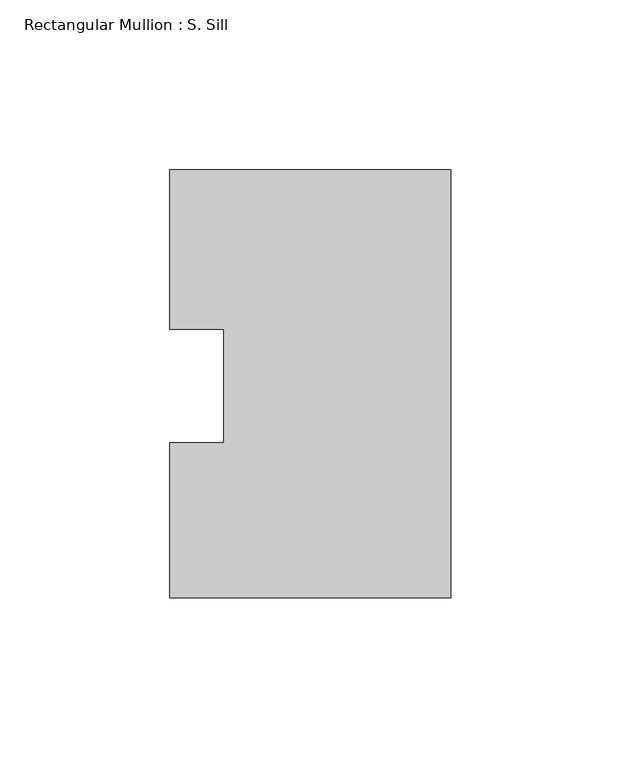
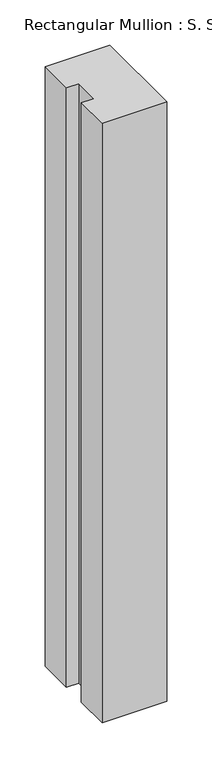
"""IFC4 building model written with IfcOpenShell, lengths in millimetres: member geometry, Rectangular Mullion : S. Sill."""

import ifcopenshell
import ifcopenshell.guid

model = None  # the IFC model being written
_history = None  # IfcOwnerHistory: only IFC2X3 demands one
_inside = {}  # id of a spatial element -> (the spatial element, [elements in it])
_under = {}  # id of a project, library or spatial element -> (it, [spatial elements below it])
_declared = {}  # id of a project -> (the project, [libraries it declares])
_typed = {}  # id of a type object -> (the type object, [elements of that type])
_made_of = {}  # id of a material, layer set ... -> (it, [elements and type objects made of it])


def new_model(schema):
    """Start an empty IFC model of exactly this schema.

    Asked for "IFC4X3", IfcOpenShell would pick the latest addendum, in which some entities
    have other attributes; the version numbers below select the first issue.
    IFC2X3 requires an IfcOwnerHistory on every rooted entity: one is made here for all.
    """
    global model, _history
    if schema == "IFC4X3":
        model = ifcopenshell.file(schema_version=(4, 3, 0, 0))
    else:
        model = ifcopenshell.file(schema=schema)
    _inside.clear()
    _under.clear()
    _declared.clear()
    _typed.clear()
    _made_of.clear()
    _history = None
    if model.schema == "IFC2X3":
        org = make("IfcOrganization", Name="unknown")
        user = make(
            "IfcPersonAndOrganization",
            ThePerson=make("IfcPerson", FamilyName="unknown"),
            TheOrganization=org,
        )
        app = make(
            "IfcApplication",
            ApplicationDeveloper=org,
            Version="unknown",
            ApplicationFullName="unknown",
            ApplicationIdentifier="unknown",
        )
        _history = make(
            "IfcOwnerHistory",
            OwningUser=user,
            OwningApplication=app,
            ChangeAction="ADDED",
            CreationDate=0,
        )
    return model


def make(cls, **values):
    """One entity of the class cls with the attributes given. An attribute that is None is left unset."""
    return model.create_entity(
        cls, **{name: value for name, value in values.items() if value is not None}
    )


def rooted(cls, **values):
    """An entity with a GlobalId (a new one), such as an element, a storey or a relation."""
    return make(cls, GlobalId=ifcopenshell.guid.new(), OwnerHistory=_history, **values)


def si_unit(unit_type, name, prefix=None):
    """IfcSIUnit, for example si_unit("LENGTHUNIT", "METRE", prefix="MILLI")."""
    return make("IfcSIUnit", UnitType=unit_type, Prefix=prefix, Name=name)


def assignment(units):
    """IfcUnitAssignment: the units of a project."""
    return None if units is None else make("IfcUnitAssignment", Units=units)


def point(xyz):
    """IfcCartesianPoint."""
    return None if xyz is None else make("IfcCartesianPoint", Coordinates=xyz)


def direction(xyz):
    """IfcDirection."""
    return None if xyz is None else make("IfcDirection", DirectionRatios=xyz)


def frame(location, z_axis=None, x_axis=None):
    """IfcAxis2Placement3D, a coordinate frame: its origin and axes. An axis left out is left unset."""
    return make(
        "IfcAxis2Placement3D",
        Location=point(location),
        Axis=direction(z_axis),
        RefDirection=direction(x_axis),
    )


def origin():
    """The frame at (0, 0, 0) with its axes left unset."""
    return frame((0.0, 0.0, 0.0))


def place(relative_to, where):
    """IfcLocalPlacement: puts the frame where relative to a parent placement (None: the world)."""
    return make(
        "IfcLocalPlacement", PlacementRelTo=relative_to, RelativePlacement=where
    )


def context(
    kind, dimensions, precision=None, world=None, true_north=None, identifier=None
):
    """IfcGeometricRepresentationContext, for example the 3D "Model" context."""
    return make(
        "IfcGeometricRepresentationContext",
        ContextIdentifier=identifier,
        ContextType=kind,
        CoordinateSpaceDimension=dimensions,
        Precision=precision,
        WorldCoordinateSystem=world,
        TrueNorth=true_north,
    )


def project(units=None, contexts=None):
    """IfcProject with its units and contexts."""
    return rooted(
        "IfcProject",
        Name="project",
        RepresentationContexts=contexts,
        UnitsInContext=assignment(units),
    )


def spatial(cls, under=None, at=None, **own):
    """A site, building, storey or space (cls), placed at a placement, below another one or the project."""
    s = rooted(cls, ObjectPlacement=at, **own)
    if under is not None:
        _under.setdefault(under.id(), (under, []))[1].append(s)
    return s


def polyline(points):
    """IfcPolyline through the points."""
    return make("IfcPolyline", Points=[point(p) for p in points])


def outline(outer, holes=None, kind="AREA"):
    """IfcArbitraryClosedProfileDef: a profile drawn as a closed curve; with holes, ...WithVoids."""
    if holes is None:
        return make("IfcArbitraryClosedProfileDef", ProfileType=kind, OuterCurve=outer)
    return make(
        "IfcArbitraryProfileDefWithVoids",
        ProfileType=kind,
        OuterCurve=outer,
        InnerCurves=holes,
    )


def extrude(swept, where, along, depth):
    """IfcExtrudedAreaSolid: the profile swept, set in the frame where, extruded along a direction by depth."""
    return make(
        "IfcExtrudedAreaSolid",
        SweptArea=swept,
        Position=where,
        ExtrudedDirection=direction(along),
        Depth=depth,
    )


def shape(context_of_items, identifier, shape_type, items):
    """IfcShapeRepresentation: the items that make up one representation, for example the "Body"."""
    return make(
        "IfcShapeRepresentation",
        ContextOfItems=context_of_items,
        RepresentationIdentifier=identifier,
        RepresentationType=shape_type,
        Items=items,
    )


def source(mapping_origin, context_of_items, identifier, shape_type, items):
    """IfcRepresentationMap: a shape defined once, which mapped items show again and again."""
    return make(
        "IfcRepresentationMap",
        MappingOrigin=mapping_origin,
        MappedRepresentation=shape(context_of_items, identifier, shape_type, items),
    )


def transform(
    local_origin,
    x_axis=None,
    y_axis=None,
    z_axis=None,
    scale=None,
    scale2=None,
    scale3=None,
    uniform=True,
):
    """IfcCartesianTransformationOperator3D, or its non-uniform kind. x_axis, y_axis, z_axis: its Axis1, 2, 3."""
    if uniform:
        return make(
            "IfcCartesianTransformationOperator3D",
            Axis1=direction(x_axis),
            Axis2=direction(y_axis),
            LocalOrigin=point(local_origin),
            Scale=scale,
            Axis3=direction(z_axis),
        )
    return make(
        "IfcCartesianTransformationOperator3DnonUniform",
        Axis1=direction(x_axis),
        Axis2=direction(y_axis),
        LocalOrigin=point(local_origin),
        Scale=scale,
        Axis3=direction(z_axis),
        Scale2=scale2,
        Scale3=scale3,
    )


def mapped(mapping_source, mapping_target):
    """IfcMappedItem: shows the shape of a source again, moved by a transform."""
    return make(
        "IfcMappedItem", MappingSource=mapping_source, MappingTarget=mapping_target
    )


def made_of(thing, what):
    """Note that an element or type object is made of a material, layer set ...; save() writes the relation."""
    if what is not None:
        _made_of.setdefault(what.id(), (what, []))[1].append(thing)
    return thing


def element(
    cls,
    number,
    at=None,
    inside=None,
    cuts=None,
    type_object=None,
    material=None,
    context=None,
    identifier="Body",
    shape_type=None,
    held_by="IfcProductDefinitionShape",
    body=None,
    shapes=None,
    **own,
):
    """One element of the class cls, such as IfcWall. Its Tag is "e" and its number.

    at: its placement. inside: the storey or other place that contains it. cuts: it is an
    opening in that element (IfcRelVoidsElement). A single representation is given by context,
    identifier, shape_type and body (its items); several are given by shapes. held_by: the class
    of the entity that holds the representations. save() writes the other relations.
    """
    e = rooted(cls, Tag="e%d" % number, ObjectPlacement=at, **own)
    if body is not None:
        shapes = [shape(context, identifier, shape_type, body)]
    if shapes is not None:
        e.Representation = make(held_by, Representations=shapes)
    if inside is not None:
        _inside.setdefault(inside.id(), (inside, []))[1].append(e)
    if cuts is not None:
        rooted(
            "IfcRelVoidsElement", RelatingBuildingElement=cuts, RelatedOpeningElement=e
        )
    if type_object is not None:
        _typed.setdefault(type_object.id(), (type_object, []))[1].append(e)
    return made_of(e, material)


def aggregate(whole, parts):
    """IfcRelAggregates: a whole, such as a stair, and the parts it consists of."""
    return rooted("IfcRelAggregates", RelatingObject=whole, RelatedObjects=parts)


def save(model, path):
    """Write the relations noted so far, then the file.

    IfcRelAggregates (storeys below a building ...), IfcRelContainedInSpatialStructure (elements
    in a storey), IfcRelDefinesByType, IfcRelAssociatesMaterial and IfcRelDeclares: one each for
    every whole, place, type object, material and project.
    """
    for whole, parts in _under.values():
        aggregate(whole, parts)
    for where, things in _inside.values():
        rooted(
            "IfcRelContainedInSpatialStructure",
            RelatedElements=things,
            RelatingStructure=where,
        )
    for kind, things in _typed.values():
        rooted("IfcRelDefinesByType", RelatedObjects=things, RelatingType=kind)
    for what, things in _made_of.values():
        rooted("IfcRelAssociatesMaterial", RelatedObjects=things, RelatingMaterial=what)
    for by, libraries in _declared.values():
        rooted("IfcRelDeclares", RelatingContext=by, RelatedDefinitions=libraries)
    model.write(path)


def rectangular_mullion_s_sill_768d78ba(model_context):
    return source(origin(), model_context, "Body", "SweptSolid", [
        extrude(outline(polyline([(-82.5548917, 16.7234075), (-82.5548917, 63.5107262), (0.0, 63.5107262), (0.0, -62.2700738), (-82.5548917, -62.2700738), (-82.5548917, -16.7234075), (-66.6798917, -16.7234075), (-66.6798917, 16.7234075), (-82.5548917, 16.7234075)])), frame((0.0, 0.0, -809.5326836), z_axis=(0.0, 0.0, 1.0), x_axis=(1.0, 0.0, 0.0)), (0.0, 0.0, 1.0), 809.5326836),
    ])


if __name__ == "__main__":
    model = new_model("IFC4")
    model_context = context("Model", 3, world=origin())
    ifc_project = project(units=[si_unit("LENGTHUNIT", "METRE", prefix="MILLI")], contexts=[model_context])
    site = spatial("IfcSite", under=ifc_project)
    building = spatial("IfcBuilding", under=site)
    placement = place(None, origin())
    rectangular_mullion_s_sill_shape = rectangular_mullion_s_sill_768d78ba(model_context)
    element("IfcMember", 1, ObjectType="Rectangular Mullion : S. Sill", at=placement, inside=building, context=model_context, shape_type="MappedRepresentation", body=[
        mapped(rectangular_mullion_s_sill_shape, transform((0.0, 0.0, 0.0), x_axis=(1.0, 0.0, 0.0), y_axis=(0.0, 1.0, 0.0), z_axis=(0.0, 0.0, 1.0))),
    ])
    save(model, "model.ifc")
